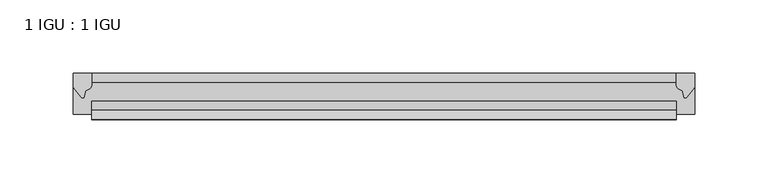
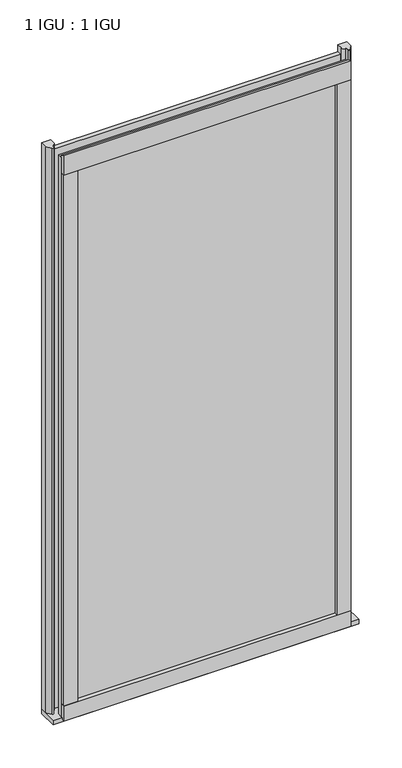
"""IFC4 building model written with IfcOpenShell, lengths in millimetres: plate geometry, 1 IGU : 1 IGU."""

from ifc_helpers import new_model, si_unit, point, frame, frame_2d, origin, place, context, project, spatial, polyline, circle_curve, trimmed, segment, composite_curve, outline, extrude, source, transform, mapped, element, save


def plate_1_igu_1_igu_053aaa49(model_context):
    return source(origin(), model_context, "Body", "SweptSolid", [
        extrude(outline(polyline([(200.009125, 0.0021347), (200.009125, -6.2992), (-200.009125, -6.2992), (-200.009125, 0.0021347), (200.009125, 0.0021347)])), frame((0.0, 0.0, -19.05), z_axis=(0.0, 0.0, 1.0), x_axis=(1.0, 0.0, 0.0)), (0.0, 0.0, 1.0), 822.3250001),
        extrude(outline(polyline([(-200.009125, -19.0986653), (200.009125, -19.0986653), (200.009125, -25.3978653), (-200.009125, -25.3978653), (-200.009125, -19.0986653)])), frame((0.0, 0.0, -19.05), z_axis=(0.0, 0.0, 1.0), x_axis=(1.0, 0.0, 0.0)), (0.0, 0.0, 1.0), 822.3250001),
        extrude(outline(composite_curve([segment(trimmed(circle_curve(frame_2d((10.9021792, -22.6833935)), 11.4916952), [point((0.0, -19.05))], [point((-0.2638007, -25.4))], True, "CARTESIAN"), True, "CONTINUOUS"), segment(polyline([(-0.2638007, -25.4), (-27.9952564, -25.4), (-27.9952564, -19.05), (0.0, -19.05)]), True, "CONTINUOUS")], self_intersect=False)), frame((-212.709125, 0.0, 0.0), z_axis=(1.0, 0.0, 0.0), x_axis=(0.0, 1.0, 0.0)), (0.0, 0.0, 1.0), 425.41825),
        extrude(outline(composite_curve([segment(polyline([(212.709125, 0.0), (212.709125, -9.7395025), (207.1428941, -16.3730781)]), True, "CONTINUOUS"), segment(trimmed(circle_curve(frame_2d((206.1892191, -15.7728374)), 1.1268473), [point((207.1428941, -16.3730781))], [point((205.0882662, -16.0130197))], False, "CARTESIAN"), True, "CONTINUOUS"), segment(polyline([(205.0882662, -16.0130197), (204.1080748, -11.7377885)]), True, "CONTINUOUS"), segment(trimmed(circle_curve(frame_2d((203.9806229, -7.7683362)), 3.9714979), [point((204.1080748, -11.7377885))], [point((200.0093036, -7.8060014))], False, "CARTESIAN"), True, "CONTINUOUS"), segment(polyline([(200.0093036, -7.8060014), (200.0093036, 0.0), (212.709125, 0.0)]), True, "CONTINUOUS")], self_intersect=False)), frame((0.0, 0.0, -19.05), z_axis=(0.0, 0.0, 1.0), x_axis=(1.0, 0.0, 0.0)), (0.0, 0.0, 1.0), 832.6374001),
        extrude(outline(composite_curve([segment(polyline([(-200.009125, 8.8e-06), (-200.009125, -7.7683362)]), True, "CONTINUOUS"), segment(trimmed(circle_curve(frame_2d((-203.9806229, -7.7683362)), 3.9714979), [point((-200.009125, -7.7683362))], [point((-204.1080748, -11.7377885))], False, "CARTESIAN"), True, "CONTINUOUS"), segment(polyline([(-204.1080748, -11.7377885), (-205.0881093, -16.012436)]), True, "CONTINUOUS"), segment(trimmed(circle_curve(frame_2d((-206.1893183, -15.7723555)), 1.1270758), [point((-205.0881093, -16.012436))], [point((-207.1431577, -16.372764))], False, "CARTESIAN"), True, "CONTINUOUS"), segment(polyline([(-207.1431577, -16.372764), (-212.709125, -9.7395025), (-212.709125, 8.8e-06), (-200.009125, 8.8e-06)]), True, "CONTINUOUS")], self_intersect=False)), frame((0.0, 0.0, -19.05), z_axis=(0.0, 0.0, 1.0), x_axis=(1.0, 0.0, 0.0)), (0.0, 0.0, 1.0), 832.6374001),
        extrude(outline(composite_curve([segment(polyline([(-31.75, 0.0), (-25.4, 0.0), (-25.4, -22.225)]), True, "CONTINUOUS"), segment(trimmed(circle_curve(frame_2d((-28.575, -28.9113452)), 7.4018806), [point((-25.4, -22.225))], [point((-31.75, -22.225))], True, "CARTESIAN"), True, "CONTINUOUS"), segment(polyline([(-31.75, -22.225), (-31.75, 0.0)]), True, "CONTINUOUS")], self_intersect=False)), frame((-200.009125, 0.0, 0.0), z_axis=(1.0, 0.0, 0.0), x_axis=(0.0, 1.0, 0.0)), (0.0, 0.0, 1.0), 400.01825),
        extrude(outline(composite_curve([segment(polyline([(-25.4, 806.4500001), (-25.4, 781.0500001), (-31.75, 781.0500001), (-31.75, 809.2228974)]), True, "CONTINUOUS"), segment(trimmed(circle_curve(frame_2d((-24.1401272, 817.9924116)), 11.6109665), [point((-31.75, 809.2228974))], [point((-25.4, 806.4500001))], True, "CARTESIAN"), True, "CONTINUOUS")], self_intersect=False)), frame((-200.009125, 0.0, 0.0), z_axis=(1.0, 0.0, 0.0), x_axis=(0.0, 1.0, 0.0)), (0.0, 0.0, 1.0), 400.01825),
        extrude(outline(composite_curve([segment(polyline([(180.959125, -25.4), (200.009125, -25.4)]), True, "CONTINUOUS"), segment(trimmed(circle_curve(frame_2d((209.4752757, -28.575)), 9.9844196), [point((200.009125, -25.4))], [point((200.009125, -31.75))], True, "CARTESIAN"), True, "CONTINUOUS"), segment(polyline([(200.009125, -31.75), (180.959125, -31.75), (180.959125, -25.4)]), True, "CONTINUOUS")], self_intersect=False)), frame((0.0, 0.0, -19.05), z_axis=(0.0, 0.0, 1.0), x_axis=(1.0, 0.0, 0.0)), (0.0, 0.0, 1.0), 822.3250001),
        extrude(outline(composite_curve([segment(trimmed(circle_curve(frame_2d((-209.4752757, -28.575)), 9.9844196), [point((-200.009125, -31.75))], [point((-200.009125, -25.4))], True, "CARTESIAN"), True, "CONTINUOUS"), segment(polyline([(-200.009125, -25.4), (-180.959125, -25.4), (-180.959125, -31.75), (-200.009125, -31.75)]), True, "CONTINUOUS")], self_intersect=False)), frame((0.0, 0.0, -19.05), z_axis=(0.0, 0.0, 1.0), x_axis=(1.0, 0.0, 0.0)), (0.0, 0.0, 1.0), 822.3250001),
    ])


if __name__ == "__main__":
    model = new_model("IFC4")
    model_context = context("Model", 3, world=origin())
    ifc_project = project(units=[si_unit("LENGTHUNIT", "METRE", prefix="MILLI")], contexts=[model_context])
    site = spatial("IfcSite", under=ifc_project)
    building = spatial("IfcBuilding", under=site)
    placement = place(None, origin())
    plate_1_igu_1_igu_shape = plate_1_igu_1_igu_053aaa49(model_context)
    element("IfcPlate", 1, ObjectType="1 IGU : 1 IGU", at=placement, inside=building, context=model_context, shape_type="MappedRepresentation", body=[
        mapped(plate_1_igu_1_igu_shape, transform((0.0, 0.0, 0.0), x_axis=(1.0, 0.0, 0.0), y_axis=(0.0, 1.0, 0.0), z_axis=(0.0, 0.0, 1.0))),
    ])
    save(model, "model.ifc")
